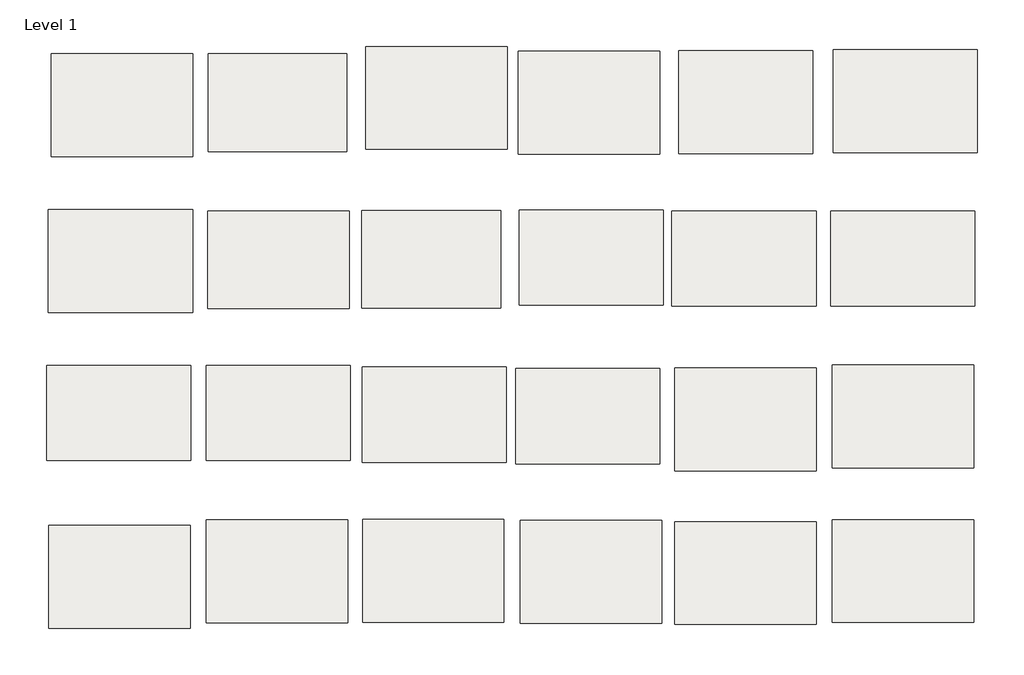
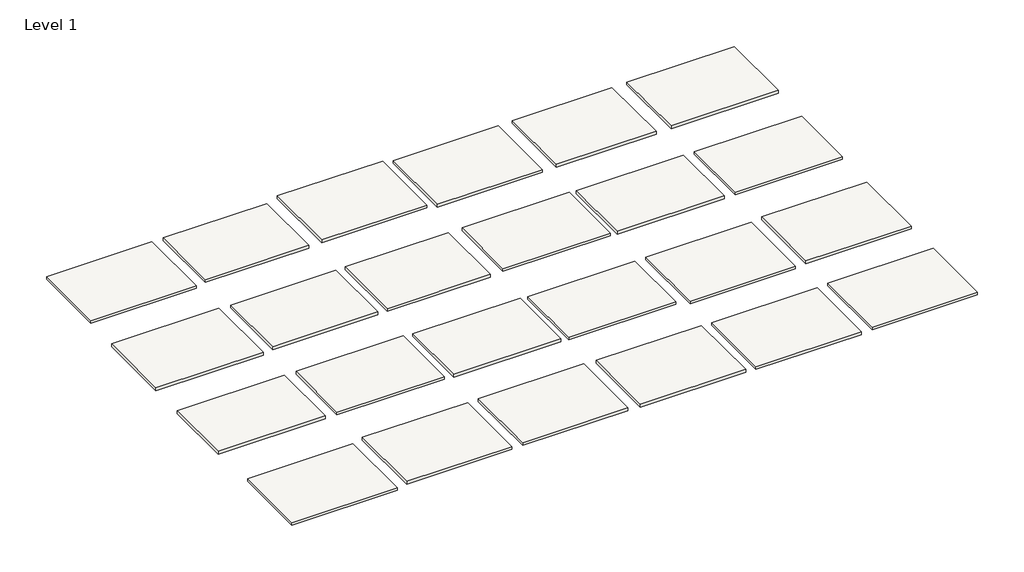
# One storey: 24 slabs.
"""IFC4 building model written with IfcOpenShell, lengths in millimetres."""

from ifc_helpers import new_model, si_unit, frame, origin, place, context, project, spatial, polyline, outline, extrude, element, save

model = new_model("IFC4")

# Units and contexts
model_context = context("Model", 3, world=origin())
ifc_project = project(units=[si_unit("LENGTHUNIT", "METRE", prefix="MILLI")], contexts=[model_context])

# Site, building, storey
site = spatial("IfcSite", under=ifc_project)
building = spatial("IfcBuilding", under=site)
storey = spatial("IfcBuildingStorey", under=building, Name="Level 1", Elevation=0.0)

# Slabs
placement = place(None, origin())
element("IfcSlab", 1, at=placement, inside=storey, context=model_context, shape_type="SweptSolid", body=[
    extrude(outline(polyline([(-22983.3826105, 3530.7387105), (-22983.3826105, 3276.7387105), (-23332.6326105, 3276.7387105), (-23332.6326105, 3530.7387105), (-22983.3826105, 3530.7387105)])), frame((0.0, 0.0, -9.525), z_axis=(0.0, 0.0, 1.0), x_axis=(1.0, 0.0, 0.0)), (0.0, 0.0, 1.0), 9.525),
])
element("IfcSlab", 2, at=placement, inside=storey, context=model_context, shape_type="SweptSolid", body=[
    extrude(outline(polyline([(-22602.3826105, 3530.7387105), (-22602.3826105, 3289.4387105), (-22945.2826105, 3289.4387105), (-22945.2826105, 3530.7387105), (-22602.3826105, 3530.7387105)])), frame((0.0, 0.0, -9.525), z_axis=(0.0, 0.0, 1.0), x_axis=(1.0, 0.0, 0.0)), (0.0, 0.0, 1.0), 9.525),
])
element("IfcSlab", 3, at=placement, inside=storey, context=model_context, shape_type="SweptSolid", body=[
    extrude(outline(polyline([(-22206.7092243, 3548.8680739), (-22206.7092243, 3294.8680739), (-22555.9592243, 3294.8680739), (-22555.9592243, 3548.8680739), (-22206.7092243, 3548.8680739)])), frame((0.0, 0.0, -9.525), z_axis=(0.0, 0.0, 1.0), x_axis=(1.0, 0.0, 0.0)), (0.0, 0.0, 1.0), 9.525),
])
element("IfcSlab", 4, at=placement, inside=storey, context=model_context, shape_type="SweptSolid", body=[
    extrude(outline(polyline([(-21444.2014509, 3142.2373997), (-21444.2014509, 2907.2873997), (-21799.8014509, 2907.2873997), (-21799.8014509, 3142.2373997), (-21444.2014509, 3142.2373997)])), frame((0.0, 0.0, -9.525), z_axis=(0.0, 0.0, 1.0), x_axis=(1.0, 0.0, 0.0)), (0.0, 0.0, 1.0), 9.525),
])
element("IfcSlab", 5, at=placement, inside=storey, context=model_context, shape_type="SweptSolid", body=[
    extrude(outline(polyline([(-22593.5997399, 2761.136394), (-22593.5997399, 2526.186394), (-22949.1997399, 2526.186394), (-22949.1997399, 2761.136394), (-22593.5997399, 2761.136394)])), frame((0.0, 0.0, -9.525), z_axis=(0.0, 0.0, 1.0), x_axis=(1.0, 0.0, 0.0)), (0.0, 0.0, 1.0), 9.525),
])
element("IfcSlab", 6, at=placement, inside=storey, context=model_context, shape_type="SweptSolid", body=[
    extrude(outline(polyline([(-22600.2352081, 2379.1690925), (-22600.2352081, 2125.1690925), (-22949.4852081, 2125.1690925), (-22949.4852081, 2379.1690925), (-22600.2352081, 2379.1690925)])), frame((0.0, 0.0, -9.525), z_axis=(0.0, 0.0, 1.0), x_axis=(1.0, 0.0, 0.0)), (0.0, 0.0, 1.0), 9.525),
])
element("IfcSlab", 7, at=placement, inside=storey, context=model_context, shape_type="SweptSolid", body=[
    extrude(outline(polyline([(-22214.6188127, 2380.2055757), (-22214.6188127, 2126.2055757), (-22563.8688127, 2126.2055757), (-22563.8688127, 2380.2055757), (-22214.6188127, 2380.2055757)])), frame((0.0, 0.0, -9.525), z_axis=(0.0, 0.0, 1.0), x_axis=(1.0, 0.0, 0.0)), (0.0, 0.0, 1.0), 9.525),
])
element("IfcSlab", 8, at=placement, inside=storey, context=model_context, shape_type="SweptSolid", body=[
    extrude(outline(polyline([(-21825.4035136, 2377.6234009), (-21825.4035136, 2123.6234009), (-22174.6535136, 2123.6234009), (-22174.6535136, 2377.6234009), (-21825.4035136, 2377.6234009)])), frame((0.0, 0.0, -9.525), z_axis=(0.0, 0.0, 1.0), x_axis=(1.0, 0.0, 0.0)), (0.0, 0.0, 1.0), 9.525),
])
element("IfcSlab", 9, at=placement, inside=storey, context=model_context, shape_type="SweptSolid", body=[
    extrude(outline(polyline([(-21443.7313109, 2374.9297102), (-21443.7313109, 2120.9297102), (-21792.9813109, 2120.9297102), (-21792.9813109, 2374.9297102), (-21443.7313109, 2374.9297102)])), frame((0.0, 0.0, -9.525), z_axis=(0.0, 0.0, 1.0), x_axis=(1.0, 0.0, 0.0)), (0.0, 0.0, 1.0), 9.525),
])
element("IfcSlab", 10, at=placement, inside=storey, context=model_context, shape_type="SweptSolid", body=[
    extrude(outline(polyline([(-21055.2614225, 2379.7479332), (-21055.2614225, 2125.7479332), (-21404.5114225, 2125.7479332), (-21404.5114225, 2379.7479332), (-21055.2614225, 2379.7479332)])), frame((0.0, 0.0, -9.525), z_axis=(0.0, 0.0, 1.0), x_axis=(1.0, 0.0, 0.0)), (0.0, 0.0, 1.0), 9.525),
])
element("IfcSlab", 11, ObjectType="Edgewood Base Mat MB 300 - HD Carpet Black Iron", at=placement, inside=storey, context=model_context, shape_type="SweptSolid", body=[
    extrude(outline(polyline([(-22983.5225639, 3145.4124739), (-22983.5225639, 2891.4124739), (-23339.1225639, 2891.4124739), (-23339.1225639, 3145.4124739), (-22983.5225639, 3145.4124739)])), frame((0.0, 0.0, -9.525), z_axis=(0.0, 0.0, 1.0), x_axis=(1.0, 0.0, 0.0)), (0.0, 0.0, 1.0), 9.525),
])
element("IfcSlab", 12, ObjectType="Edgewood Base Mat MB 300 - HD Carpet Cast Iron", at=placement, inside=storey, context=model_context, shape_type="SweptSolid", body=[
    extrude(outline(polyline([(-21830.4853885, 3536.6544394), (-21830.4853885, 3282.6544394), (-22179.7353885, 3282.6544394), (-22179.7353885, 3536.6544394), (-21830.4853885, 3536.6544394)])), frame((0.0, 0.0, -9.525), z_axis=(0.0, 0.0, 1.0), x_axis=(1.0, 0.0, 0.0)), (0.0, 0.0, 1.0), 9.525),
])
element("IfcSlab", 13, ObjectType="Edgewood Base Mat MB 300 - HD Carpet Charcoal", at=placement, inside=storey, context=model_context, shape_type="SweptSolid", body=[
    extrude(outline(polyline([(-22596.5113979, 3142.5628723), (-22596.5113979, 2901.2628723), (-22945.7613979, 2901.2628723), (-22945.7613979, 3142.5628723), (-22596.5113979, 3142.5628723)])), frame((0.0, 0.0, -9.525), z_axis=(0.0, 0.0, 1.0), x_axis=(1.0, 0.0, 0.0)), (0.0, 0.0, 1.0), 9.525),
])
element("IfcSlab", 14, ObjectType="Edgewood Base Mat MB 300 - HD Carpet Denim", at=placement, inside=storey, context=model_context, shape_type="SweptSolid", body=[
    extrude(outline(polyline([(-21821.2717043, 3144.9267058), (-21821.2717043, 2909.9767058), (-22176.8717043, 2909.9767058), (-22176.8717043, 3144.9267058), (-21821.2717043, 3144.9267058)])), frame((0.0, 0.0, -9.525), z_axis=(0.0, 0.0, 1.0), x_axis=(1.0, 0.0, 0.0)), (0.0, 0.0, 1.0), 9.525),
])
element("IfcSlab", 15, ObjectType="Edgewood Base Mat MB 300 - HD Carpet Espresso", at=placement, inside=storey, context=model_context, shape_type="SweptSolid", body=[
    extrude(outline(polyline([(-21051.7394039, 3142.6859767), (-21051.7394039, 2907.7359767), (-21407.3394039, 2907.7359767), (-21407.3394039, 3142.6859767), (-21051.7394039, 3142.6859767)])), frame((0.0, 0.0, -9.525), z_axis=(0.0, 0.0, 1.0), x_axis=(1.0, 0.0, 0.0)), (0.0, 0.0, 1.0), 9.525),
])
element("IfcSlab", 16, ObjectType="Edgewood Base Mat MB 300 - HD Carpet Grey Castle", at=placement, inside=storey, context=model_context, shape_type="SweptSolid", body=[
    extrude(outline(polyline([(-22222.6938416, 3143.8461395), (-22222.6938416, 2902.5461395), (-22565.5938416, 2902.5461395), (-22565.5938416, 3143.8461395), (-22222.6938416, 3143.8461395)])), frame((0.0, 0.0, -9.525), z_axis=(0.0, 0.0, 1.0), x_axis=(1.0, 0.0, 0.0)), (0.0, 0.0, 1.0), 9.525),
])
element("IfcSlab", 17, ObjectType="Edgewood Base Mat MB 300 - HD Carpet Java", at=placement, inside=storey, context=model_context, shape_type="SweptSolid", body=[
    extrude(outline(polyline([(-22988.313972, 2760.8412464), (-22988.313972, 2525.8912464), (-23343.913972, 2525.8912464), (-23343.913972, 2760.8412464), (-22988.313972, 2760.8412464)])), frame((0.0, 0.0, -9.525), z_axis=(0.0, 0.0, 1.0), x_axis=(1.0, 0.0, 0.0)), (0.0, 0.0, 1.0), 9.525),
])
element("IfcSlab", 18, ObjectType="Edgewood Base Mat MB 300 - HD Carpet Onyx", at=placement, inside=storey, context=model_context, shape_type="SweptSolid", body=[
    extrude(outline(polyline([(-21452.5855584, 3538.8109572), (-21452.5855584, 3284.8109572), (-21782.7855584, 3284.8109572), (-21782.7855584, 3538.8109572), (-21452.5855584, 3538.8109572)])), frame((0.0, 0.0, -9.525), z_axis=(0.0, 0.0, 1.0), x_axis=(1.0, 0.0, 0.0)), (0.0, 0.0, 1.0), 9.525),
])
element("IfcSlab", 19, ObjectType="Edgewood Base Mat MB 300 - HD Carpet Shadow", at=placement, inside=storey, context=model_context, shape_type="SweptSolid", body=[
    extrude(outline(polyline([(-21045.6589918, 3541.2514765), (-21045.6589918, 3287.2514765), (-21401.2589918, 3287.2514765), (-21401.2589918, 3541.2514765), (-21045.6589918, 3541.2514765)])), frame((0.0, 0.0, -9.525), z_axis=(0.0, 0.0, 1.0), x_axis=(1.0, 0.0, 0.0)), (0.0, 0.0, 1.0), 9.525),
])
element("IfcSlab", 20, ObjectType="Edgewood Base Mat MB 300 - HD Carpet Spice", at=placement, inside=storey, context=model_context, shape_type="SweptSolid", body=[
    extrude(outline(polyline([(-22208.6849769, 2756.585794), (-22208.6849769, 2521.635794), (-22564.2849769, 2521.635794), (-22564.2849769, 2756.585794), (-22208.6849769, 2756.585794)])), frame((0.0, 0.0, -9.525), z_axis=(0.0, 0.0, 1.0), x_axis=(1.0, 0.0, 0.0)), (0.0, 0.0, 1.0), 9.525),
])
element("IfcSlab", 21, ObjectType="Edgewood Base Mat MB 300 - HD Carpet Suede", at=placement, inside=storey, context=model_context, shape_type="SweptSolid", body=[
    extrude(outline(polyline([(-21829.4227489, 2753.1461495), (-21829.4227489, 2518.1961495), (-22185.0227489, 2518.1961495), (-22185.0227489, 2753.1461495), (-21829.4227489, 2753.1461495)])), frame((0.0, 0.0, -9.525), z_axis=(0.0, 0.0, 1.0), x_axis=(1.0, 0.0, 0.0)), (0.0, 0.0, 1.0), 9.525),
])
element("IfcSlab", 22, ObjectType="Edgewood Base Mat MB 300 - Vinyl Black", at=placement, inside=storey, context=model_context, shape_type="SweptSolid", body=[
    extrude(outline(polyline([(-21443.2440827, 2754.4082464), (-21443.2440827, 2500.4082464), (-21792.4940827, 2500.4082464), (-21792.4940827, 2754.4082464), (-21443.2440827, 2754.4082464)])), frame((0.0, 0.0, -9.525), z_axis=(0.0, 0.0, 1.0), x_axis=(1.0, 0.0, 0.0)), (0.0, 0.0, 1.0), 9.525),
])
element("IfcSlab", 23, ObjectType="Edgewood Base Mat MB 300 - Vinyl Brown", at=placement, inside=storey, context=model_context, shape_type="SweptSolid", body=[
    extrude(outline(polyline([(-21054.40215, 2762.2405754), (-21054.40215, 2508.2405754), (-21403.65215, 2508.2405754), (-21403.65215, 2762.2405754), (-21054.40215, 2762.2405754)])), frame((0.0, 0.0, -9.525), z_axis=(0.0, 0.0, 1.0), x_axis=(1.0, 0.0, 0.0)), (0.0, 0.0, 1.0), 9.525),
])
element("IfcSlab", 24, ObjectType="Edgewood Base Mat MB 300 - Vinyl Grey", at=placement, inside=storey, context=model_context, shape_type="SweptSolid", body=[
    extrude(outline(polyline([(-22989.1341535, 2365.2231214), (-22989.1341535, 2111.2231214), (-23338.3841535, 2111.2231214), (-23338.3841535, 2365.2231214), (-22989.1341535, 2365.2231214)])), frame((0.0, 0.0, -9.525), z_axis=(0.0, 0.0, 1.0), x_axis=(1.0, 0.0, 0.0)), (0.0, 0.0, 1.0), 9.525),
])

save(model, "model.ifc")
